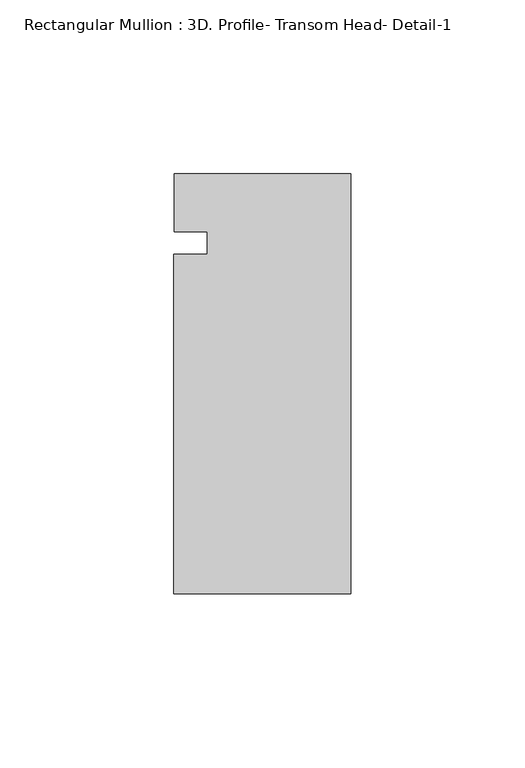
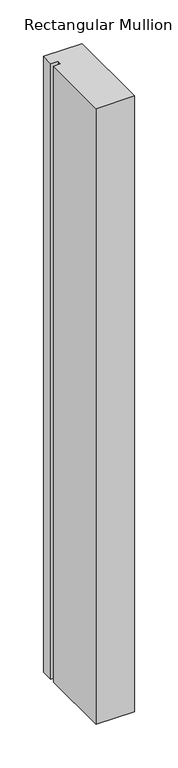
"""IFC4 building model written with IfcOpenShell, lengths in millimetres: member geometry, Rectangular Mullion : 3D. Profile- Transom Head- Detail-1."""

import ifcopenshell
import ifcopenshell.guid

model = None  # the IFC model being written
_history = None  # IfcOwnerHistory: only IFC2X3 demands one
_inside = {}  # id of a spatial element -> (the spatial element, [elements in it])
_under = {}  # id of a project, library or spatial element -> (it, [spatial elements below it])
_declared = {}  # id of a project -> (the project, [libraries it declares])
_typed = {}  # id of a type object -> (the type object, [elements of that type])
_made_of = {}  # id of a material, layer set ... -> (it, [elements and type objects made of it])


def new_model(schema):
    """Start an empty IFC model of exactly this schema.

    Asked for "IFC4X3", IfcOpenShell would pick the latest addendum, in which some entities
    have other attributes; the version numbers below select the first issue.
    IFC2X3 requires an IfcOwnerHistory on every rooted entity: one is made here for all.
    """
    global model, _history
    if schema == "IFC4X3":
        model = ifcopenshell.file(schema_version=(4, 3, 0, 0))
    else:
        model = ifcopenshell.file(schema=schema)
    _inside.clear()
    _under.clear()
    _declared.clear()
    _typed.clear()
    _made_of.clear()
    _history = None
    if model.schema == "IFC2X3":
        org = make("IfcOrganization", Name="unknown")
        user = make(
            "IfcPersonAndOrganization",
            ThePerson=make("IfcPerson", FamilyName="unknown"),
            TheOrganization=org,
        )
        app = make(
            "IfcApplication",
            ApplicationDeveloper=org,
            Version="unknown",
            ApplicationFullName="unknown",
            ApplicationIdentifier="unknown",
        )
        _history = make(
            "IfcOwnerHistory",
            OwningUser=user,
            OwningApplication=app,
            ChangeAction="ADDED",
            CreationDate=0,
        )
    return model


def make(cls, **values):
    """One entity of the class cls with the attributes given. An attribute that is None is left unset."""
    return model.create_entity(
        cls, **{name: value for name, value in values.items() if value is not None}
    )


def rooted(cls, **values):
    """An entity with a GlobalId (a new one), such as an element, a storey or a relation."""
    return make(cls, GlobalId=ifcopenshell.guid.new(), OwnerHistory=_history, **values)


def si_unit(unit_type, name, prefix=None):
    """IfcSIUnit, for example si_unit("LENGTHUNIT", "METRE", prefix="MILLI")."""
    return make("IfcSIUnit", UnitType=unit_type, Prefix=prefix, Name=name)


def assignment(units):
    """IfcUnitAssignment: the units of a project."""
    return None if units is None else make("IfcUnitAssignment", Units=units)


def point(xyz):
    """IfcCartesianPoint."""
    return None if xyz is None else make("IfcCartesianPoint", Coordinates=xyz)


def direction(xyz):
    """IfcDirection."""
    return None if xyz is None else make("IfcDirection", DirectionRatios=xyz)


def frame(location, z_axis=None, x_axis=None):
    """IfcAxis2Placement3D, a coordinate frame: its origin and axes. An axis left out is left unset."""
    return make(
        "IfcAxis2Placement3D",
        Location=point(location),
        Axis=direction(z_axis),
        RefDirection=direction(x_axis),
    )


def origin():
    """The frame at (0, 0, 0) with its axes left unset."""
    return frame((0.0, 0.0, 0.0))


def place(relative_to, where):
    """IfcLocalPlacement: puts the frame where relative to a parent placement (None: the world)."""
    return make(
        "IfcLocalPlacement", PlacementRelTo=relative_to, RelativePlacement=where
    )


def context(
    kind, dimensions, precision=None, world=None, true_north=None, identifier=None
):
    """IfcGeometricRepresentationContext, for example the 3D "Model" context."""
    return make(
        "IfcGeometricRepresentationContext",
        ContextIdentifier=identifier,
        ContextType=kind,
        CoordinateSpaceDimension=dimensions,
        Precision=precision,
        WorldCoordinateSystem=world,
        TrueNorth=true_north,
    )


def project(units=None, contexts=None):
    """IfcProject with its units and contexts."""
    return rooted(
        "IfcProject",
        Name="project",
        RepresentationContexts=contexts,
        UnitsInContext=assignment(units),
    )


def spatial(cls, under=None, at=None, **own):
    """A site, building, storey or space (cls), placed at a placement, below another one or the project."""
    s = rooted(cls, ObjectPlacement=at, **own)
    if under is not None:
        _under.setdefault(under.id(), (under, []))[1].append(s)
    return s


def polyline(points):
    """IfcPolyline through the points."""
    return make("IfcPolyline", Points=[point(p) for p in points])


def outline(outer, holes=None, kind="AREA"):
    """IfcArbitraryClosedProfileDef: a profile drawn as a closed curve; with holes, ...WithVoids."""
    if holes is None:
        return make("IfcArbitraryClosedProfileDef", ProfileType=kind, OuterCurve=outer)
    return make(
        "IfcArbitraryProfileDefWithVoids",
        ProfileType=kind,
        OuterCurve=outer,
        InnerCurves=holes,
    )


def extrude(swept, where, along, depth):
    """IfcExtrudedAreaSolid: the profile swept, set in the frame where, extruded along a direction by depth."""
    return make(
        "IfcExtrudedAreaSolid",
        SweptArea=swept,
        Position=where,
        ExtrudedDirection=direction(along),
        Depth=depth,
    )


def shape(context_of_items, identifier, shape_type, items):
    """IfcShapeRepresentation: the items that make up one representation, for example the "Body"."""
    return make(
        "IfcShapeRepresentation",
        ContextOfItems=context_of_items,
        RepresentationIdentifier=identifier,
        RepresentationType=shape_type,
        Items=items,
    )


def source(mapping_origin, context_of_items, identifier, shape_type, items):
    """IfcRepresentationMap: a shape defined once, which mapped items show again and again."""
    return make(
        "IfcRepresentationMap",
        MappingOrigin=mapping_origin,
        MappedRepresentation=shape(context_of_items, identifier, shape_type, items),
    )


def transform(
    local_origin,
    x_axis=None,
    y_axis=None,
    z_axis=None,
    scale=None,
    scale2=None,
    scale3=None,
    uniform=True,
):
    """IfcCartesianTransformationOperator3D, or its non-uniform kind. x_axis, y_axis, z_axis: its Axis1, 2, 3."""
    if uniform:
        return make(
            "IfcCartesianTransformationOperator3D",
            Axis1=direction(x_axis),
            Axis2=direction(y_axis),
            LocalOrigin=point(local_origin),
            Scale=scale,
            Axis3=direction(z_axis),
        )
    return make(
        "IfcCartesianTransformationOperator3DnonUniform",
        Axis1=direction(x_axis),
        Axis2=direction(y_axis),
        LocalOrigin=point(local_origin),
        Scale=scale,
        Axis3=direction(z_axis),
        Scale2=scale2,
        Scale3=scale3,
    )


def mapped(mapping_source, mapping_target):
    """IfcMappedItem: shows the shape of a source again, moved by a transform."""
    return make(
        "IfcMappedItem", MappingSource=mapping_source, MappingTarget=mapping_target
    )


def made_of(thing, what):
    """Note that an element or type object is made of a material, layer set ...; save() writes the relation."""
    if what is not None:
        _made_of.setdefault(what.id(), (what, []))[1].append(thing)
    return thing


def element(
    cls,
    number,
    at=None,
    inside=None,
    cuts=None,
    type_object=None,
    material=None,
    context=None,
    identifier="Body",
    shape_type=None,
    held_by="IfcProductDefinitionShape",
    body=None,
    shapes=None,
    **own,
):
    """One element of the class cls, such as IfcWall. Its Tag is "e" and its number.

    at: its placement. inside: the storey or other place that contains it. cuts: it is an
    opening in that element (IfcRelVoidsElement). A single representation is given by context,
    identifier, shape_type and body (its items); several are given by shapes. held_by: the class
    of the entity that holds the representations. save() writes the other relations.
    """
    e = rooted(cls, Tag="e%d" % number, ObjectPlacement=at, **own)
    if body is not None:
        shapes = [shape(context, identifier, shape_type, body)]
    if shapes is not None:
        e.Representation = make(held_by, Representations=shapes)
    if inside is not None:
        _inside.setdefault(inside.id(), (inside, []))[1].append(e)
    if cuts is not None:
        rooted(
            "IfcRelVoidsElement", RelatingBuildingElement=cuts, RelatedOpeningElement=e
        )
    if type_object is not None:
        _typed.setdefault(type_object.id(), (type_object, []))[1].append(e)
    return made_of(e, material)


def aggregate(whole, parts):
    """IfcRelAggregates: a whole, such as a stair, and the parts it consists of."""
    return rooted("IfcRelAggregates", RelatingObject=whole, RelatedObjects=parts)


def save(model, path):
    """Write the relations noted so far, then the file.

    IfcRelAggregates (storeys below a building ...), IfcRelContainedInSpatialStructure (elements
    in a storey), IfcRelDefinesByType, IfcRelAssociatesMaterial and IfcRelDeclares: one each for
    every whole, place, type object, material and project.
    """
    for whole, parts in _under.values():
        aggregate(whole, parts)
    for where, things in _inside.values():
        rooted(
            "IfcRelContainedInSpatialStructure",
            RelatedElements=things,
            RelatingStructure=where,
        )
    for kind, things in _typed.values():
        rooted("IfcRelDefinesByType", RelatedObjects=things, RelatingType=kind)
    for what, things in _made_of.values():
        rooted("IfcRelAssociatesMaterial", RelatedObjects=things, RelatingMaterial=what)
    for by, libraries in _declared.values():
        rooted("IfcRelDeclares", RelatingContext=by, RelatedDefinitions=libraries)
    model.write(path)


def rectangular_mullion_3d_profile_transom_head_detail_1_631f940e(model_context):
    return source(origin(), model_context, "Body", "SweptSolid", [
        extrude(outline(polyline([(-41.275, 54.4756698), (-41.275, 60.9159082), (-50.7746, 60.9159082), (-50.7746, 77.6071836), (0.0, 77.6071836), (0.0, -43.0428164), (-50.8, -43.0428164), (-50.8, 54.4756698), (-41.275, 54.4756698)])), frame((0.0, 0.0, -861.2572038), z_axis=(0.0, 0.0, 1.0), x_axis=(1.0, 0.0, 0.0)), (0.0, 0.0, 1.0), 861.2572038),
    ])


if __name__ == "__main__":
    model = new_model("IFC4")
    model_context = context("Model", 3, world=origin())
    ifc_project = project(units=[si_unit("LENGTHUNIT", "METRE", prefix="MILLI")], contexts=[model_context])
    site = spatial("IfcSite", under=ifc_project)
    building = spatial("IfcBuilding", under=site)
    placement = place(None, origin())
    rectangular_mullion_3d_profile_transom_head_detail_1_shape = rectangular_mullion_3d_profile_transom_head_detail_1_631f940e(model_context)
    element("IfcMember", 1, ObjectType="Rectangular Mullion : 3D. Profile- Transom Head- Detail-1", at=placement, inside=building, context=model_context, shape_type="MappedRepresentation", body=[
        mapped(rectangular_mullion_3d_profile_transom_head_detail_1_shape, transform((0.0, 0.0, 0.0), x_axis=(1.0, 0.0, 0.0), y_axis=(0.0, 1.0, 0.0), z_axis=(0.0, 0.0, 1.0))),
    ])
    save(model, "model.ifc")
